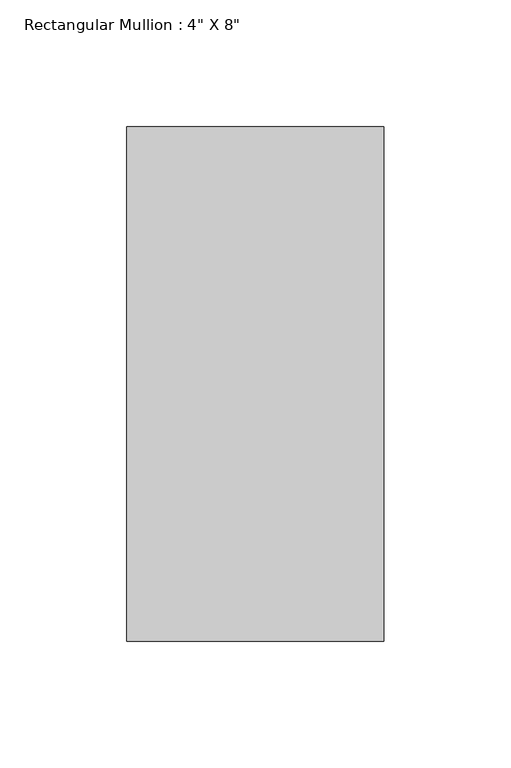
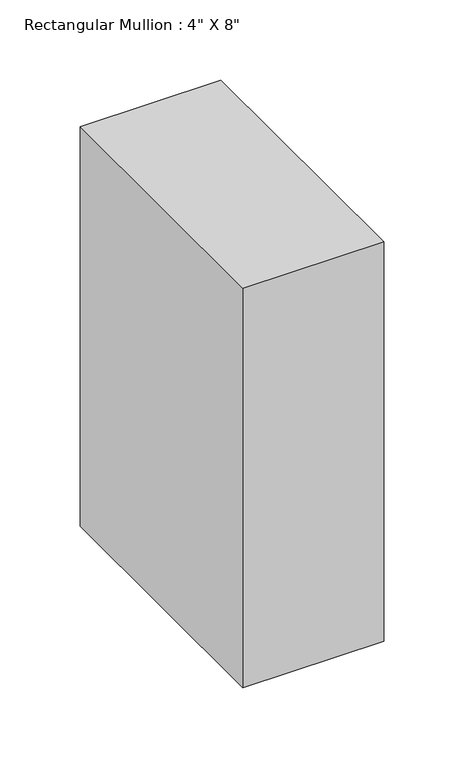
"""IFC4 building model written with IfcOpenShell, lengths in millimetres: member geometry."""

from ifc_helpers import new_model, si_unit, frame, origin, place, context, project, spatial, polyline, outline, extrude, source, transform, mapped, element, save


def member_3fac2362(model_context):
    return source(origin(), model_context, "Body", "SweptSolid", [
        extrude(outline(polyline([(50.8, 63.5), (50.8, -139.7), (-50.8, -139.7), (-50.8, 63.5), (50.8, 63.5)])), frame((0.0, 0.0, -304.8), z_axis=(0.0, 0.0, 1.0), x_axis=(1.0, 0.0, 0.0)), (0.0, 0.0, 1.0), 304.8),
    ])


if __name__ == "__main__":
    model = new_model("IFC4")
    model_context = context("Model", 3, world=origin())
    ifc_project = project(units=[si_unit("LENGTHUNIT", "METRE", prefix="MILLI")], contexts=[model_context])
    site = spatial("IfcSite", under=ifc_project)
    building = spatial("IfcBuilding", under=site)
    placement = place(None, origin())
    member_shape = member_3fac2362(model_context)
    element("IfcMember", 1, ObjectType="Rectangular Mullion : 4\" X 8\"", at=placement, inside=building, context=model_context, shape_type="MappedRepresentation", body=[
        mapped(member_shape, transform((0.0, 0.0, 0.0), x_axis=(1.0, 0.0, 0.0), y_axis=(0.0, 1.0, 0.0), z_axis=(0.0, 0.0, 1.0))),
    ])
    save(model, "model.ifc")
